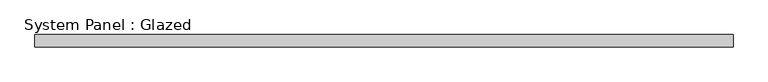
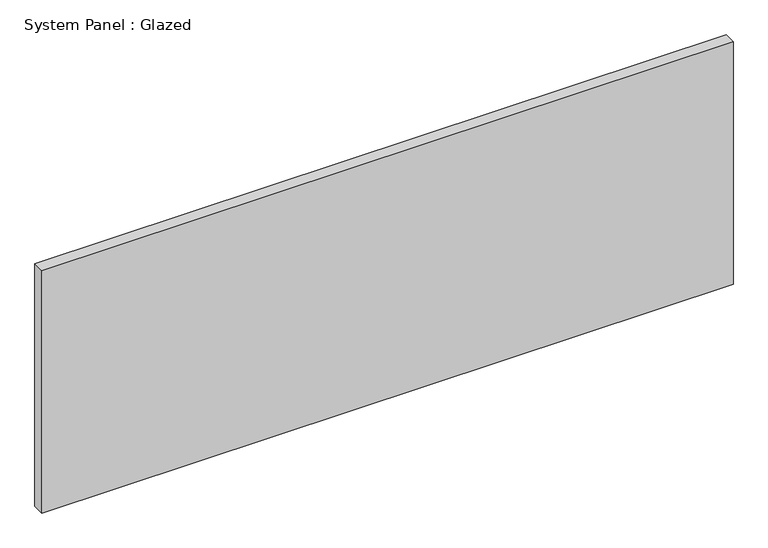
"""IFC4 building model written with IfcOpenShell, lengths in millimetres: plate geometry, System Panel : Glazed."""

from ifc_helpers import new_model, si_unit, origin, origin_with_axes, place, context, project, spatial, polyline, outline, extrude, source, transform, mapped, element, save


def system_panel_glazed_43abe245(model_context):
    return source(origin(), model_context, "Body", "SweptSolid", [
        extrude(outline(polyline([(708.3333333, 24.5), (-708.3333333, 24.5), (-708.3333333, 49.5), (708.3333333, 49.5), (708.3333333, 24.5)])), origin_with_axes(), (0.0, 0.0, 1.0), 525.0),
    ])


if __name__ == "__main__":
    model = new_model("IFC4")
    model_context = context("Model", 3, world=origin())
    ifc_project = project(units=[si_unit("LENGTHUNIT", "METRE", prefix="MILLI")], contexts=[model_context])
    site = spatial("IfcSite", under=ifc_project)
    building = spatial("IfcBuilding", under=site)
    placement = place(None, origin())
    system_panel_glazed_shape = system_panel_glazed_43abe245(model_context)
    element("IfcPlate", 1, ObjectType="System Panel : Glazed", at=placement, inside=building, context=model_context, shape_type="MappedRepresentation", body=[
        mapped(system_panel_glazed_shape, transform((0.0, 0.0, 0.0), x_axis=(1.0, 0.0, 0.0), y_axis=(0.0, 1.0, 0.0), z_axis=(0.0, 0.0, 1.0))),
    ])
    save(model, "model.ifc")
